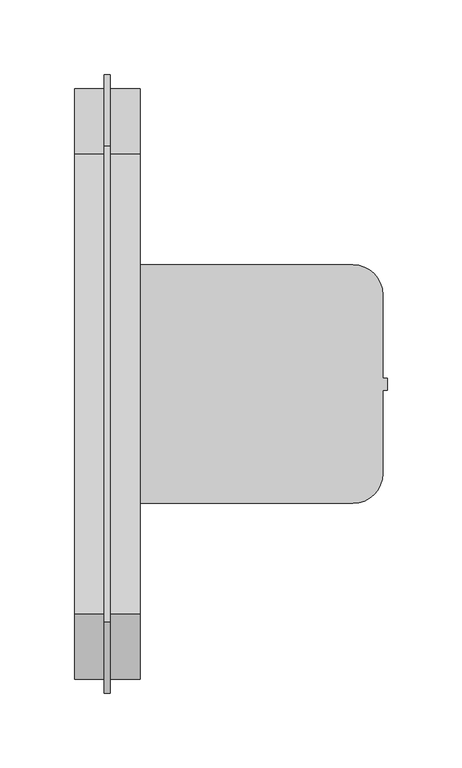
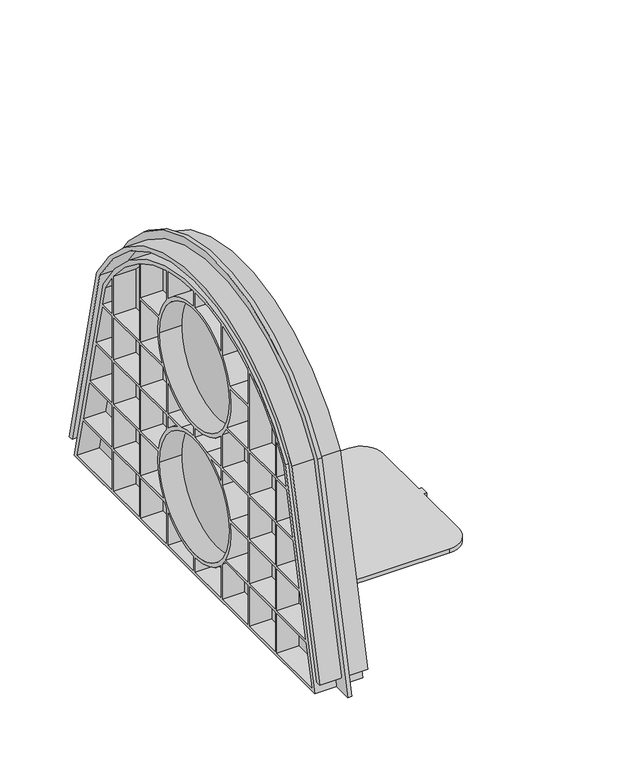
"""IFC4 building model written with IfcOpenShell, lengths in millimetres: proxy geometry."""

from ifc_helpers import new_model, si_unit, point, frame, frame_2d, origin, place, context, project, spatial, polyline, circle_curve, trimmed, segment, composite_curve, outline, extrude, source, transform, mapped, element, save


def specialty_equipment_24de1056(model_context):
    return source(origin(), model_context, "Body", "SweptSolid", [
        extrude(outline(composite_curve([segment(polyline([(-1133.5, -80.0), (-1133.5, 80.0), (-970.5, 80.0)]), True, "CONTINUOUS"), segment(trimmed(circle_curve(frame_2d((-970.5, 60.0)), 20.0), [point((-970.5, 80.0))], [point((-950.5, 60.0))], False, "CARTESIAN"), True, "CONTINUOUS"), segment(polyline([(-950.5, 60.0), (-950.5, 4.0), (-947.5, 4.0), (-947.5, -4.0), (-950.5, -4.0), (-950.5, -60.0)]), True, "CONTINUOUS"), segment(trimmed(circle_curve(frame_2d((-970.5, -60.0)), 20.0), [point((-950.5, -60.0))], [point((-970.5, -80.0))], False, "CARTESIAN"), True, "CONTINUOUS"), segment(polyline([(-970.5, -80.0), (-1133.5, -80.0)]), True, "CONTINUOUS")], self_intersect=False)), frame((0.0, 0.0, 3.85), z_axis=(0.0, 0.0, 1.0), x_axis=(1.0, 0.0, 0.0)), (0.0, 0.0, 1.0), 4.0),
        extrude(outline(composite_curve([segment(trimmed(circle_curve(frame_2d((0.0, 110.0)), 177.5), [point((-154.1500892, 198.0))], [point((154.1500892, 198.0))], False, "CARTESIAN"), True, "CONTINUOUS"), segment(polyline([(154.1500892, 198.0), (198.0, 13.0), (193.3766643, 13.0), (149.5267535, 198.0)]), True, "CONTINUOUS"), segment(trimmed(circle_curve(frame_2d((0.0, 110.0)), 173.5), [point((149.5267535, 198.0))], [point((-149.5267535, 198.0))], True, "CARTESIAN"), True, "CONTINUOUS"), segment(polyline([(-149.5267535, 198.0), (-193.3766643, 13.0), (-198.0, 13.0), (-154.1500892, 198.0)]), True, "CONTINUOUS")], self_intersect=False)), frame((-1157.5, 0.0, 0.0), z_axis=(1.0, 0.0, 0.0), x_axis=(0.0, 1.0, 0.0)), (0.0, 0.0, 1.0), 44.0),
        extrude(outline(composite_curve([segment(trimmed(circle_curve(frame_2d((0.0, 110.4167087)), 166.0), [point((-144.0, 193.0))], [point((144.0, 193.0))], False, "CARTESIAN"), True, "CONTINUOUS"), segment(polyline([(144.0, 193.0), (190.0, 0.0), (-190.0, 0.0), (-144.0, 193.0)]), True, "CONTINUOUS")], self_intersect=False), holes=[polyline([(145.3698207, 170.0), (130.5, 170.0), (130.5, 130.0), (154.9034995, 130.0), (145.3698207, 170.0)]), composite_curve([segment(polyline([(130.5, 206.4049892), (130.5, 173.0), (144.6547948, 173.0), (140.243697, 191.5074323)]), True, "CONTINUOUS"), segment(trimmed(circle_curve(frame_2d((0.0, 110.4167087)), 162.0), [point((140.243697, 191.5074323))], [point((130.5, 206.4049892))], True, "CARTESIAN"), True, "CONTINUOUS")], self_intersect=False), polyline([(130.5, 84.0), (130.5, 44.0), (175.4009088, 44.0), (165.8672301, 84.0), (130.5, 84.0)]), polyline([(130.5, 41.0), (130.5, 3.0), (185.1729296, 3.0), (176.1159347, 41.0), (130.5, 41.0)]), polyline([(155.6185254, 127.0), (130.5, 127.0), (130.5, 87.0), (165.1522042, 87.0), (155.6185254, 127.0)]), polyline([(87.5, 41.0), (87.5, 3.0), (127.5, 3.0), (127.5, 41.0), (87.5, 41.0)]), polyline([(127.5, 84.0), (87.5, 84.0), (87.5, 44.0), (127.5, 44.0), (127.5, 84.0)]), polyline([(127.5, 127.0), (87.5, 127.0), (87.5, 87.0), (127.5, 87.0), (127.5, 127.0)]), composite_curve([segment(polyline([(87.5, 246.7536076), (87.5, 173.0), (127.5, 173.0), (127.5, 210.3554399)]), True, "CONTINUOUS"), segment(trimmed(circle_curve(frame_2d((0.0, 110.4167087)), 162.0), [point((127.5, 210.3554399))], [point((87.5, 246.7536076))], True, "CARTESIAN"), True, "CONTINUOUS")], self_intersect=False), polyline([(127.5, 170.0), (87.5, 170.0), (87.5, 130.0), (127.5, 130.0), (127.5, 170.0)]), composite_curve([segment(trimmed(circle_curve(frame_2d((0.0, 200.0)), 58.5), [point((57.0372685, 213.0))], [point((51.8965317, 173.0))], False, "CARTESIAN"), True, "CONTINUOUS"), segment(polyline([(51.8965317, 173.0), (84.5, 173.0), (84.5, 213.0), (57.0372685, 213.0)]), True, "CONTINUOUS")], self_intersect=False), composite_curve([segment(trimmed(circle_curve(frame_2d((0.0, 75.0)), 58.5), [point((57.8035466, 84.0))], [point((49.6109867, 44.0))], False, "CARTESIAN"), True, "CONTINUOUS"), segment(polyline([(49.6109867, 44.0), (84.5, 44.0), (84.5, 84.0), (57.8035466, 84.0)]), True, "CONTINUOUS")], self_intersect=False), composite_curve([segment(polyline([(44.5, 266.1849661), (44.5, 237.9736751)]), True, "CONTINUOUS"), segment(trimmed(circle_curve(frame_2d((0.0, 200.0)), 58.5), [point((44.5, 237.9736751))], [point((56.2694411, 216.0))], False, "CARTESIAN"), True, "CONTINUOUS"), segment(polyline([(56.2694411, 216.0), (84.5, 216.0), (84.5, 248.6330247)]), True, "CONTINUOUS"), segment(trimmed(circle_curve(frame_2d((0.0, 110.4167087)), 162.0), [point((84.5, 248.6330247))], [point((44.5, 266.1849661))], True, "CARTESIAN"), True, "CONTINUOUS")], self_intersect=False), composite_curve([segment(polyline([(44.5, 37.0263249), (44.5, 3.0), (84.5, 3.0), (84.5, 41.0), (47.6051468, 41.0)]), True, "CONTINUOUS"), segment(trimmed(circle_curve(frame_2d((0.0, 75.0)), 58.5), [point((47.6051468, 41.0))], [point((44.5, 37.0263249))], False, "CARTESIAN"), True, "CONTINUOUS")], self_intersect=False), composite_curve([segment(polyline([(44.5, 127.0), (44.5, 112.9736751)]), True, "CONTINUOUS"), segment(trimmed(circle_curve(frame_2d((0.0, 75.0)), 58.5), [point((44.5, 112.9736751))], [point((57.2560041, 87.0))], False, "CARTESIAN"), True, "CONTINUOUS"), segment(polyline([(57.2560041, 87.0), (84.5, 87.0), (84.5, 127.0), (44.5, 127.0)]), True, "CONTINUOUS")], self_intersect=False), composite_curve([segment(polyline([(44.5, 162.0263249), (44.5, 130.0), (84.5, 130.0), (84.5, 170.0), (50.2220071, 170.0)]), True, "CONTINUOUS"), segment(trimmed(circle_curve(frame_2d((0.0, 200.0)), 58.5), [point((50.2220071, 170.0))], [point((44.5, 162.0263249))], False, "CARTESIAN"), True, "CONTINUOUS")], self_intersect=False), composite_curve([segment(polyline([(41.5, 127.0), (26.8001866, 127.0)]), True, "CONTINUOUS"), segment(trimmed(circle_curve(frame_2d((0.0, 75.0)), 58.5), [point((26.8001866, 127.0))], [point((41.5, 116.2310563))], False, "CARTESIAN"), True, "CONTINUOUS"), segment(polyline([(41.5, 116.2310563), (41.5, 127.0)]), True, "CONTINUOUS")], self_intersect=False), composite_curve([segment(polyline([(1.5, 272.4097641), (1.5, 258.4807661)]), True, "CONTINUOUS"), segment(trimmed(circle_curve(frame_2d((0.0, 200.0)), 58.5), [point((1.5, 258.4807661))], [point((41.5, 241.2310563))], False, "CARTESIAN"), True, "CONTINUOUS"), segment(polyline([(41.5, 241.2310563), (41.5, 267.0109296)]), True, "CONTINUOUS"), segment(trimmed(circle_curve(frame_2d((0.0, 110.4167087)), 162.0), [point((41.5, 267.0109296))], [point((1.5, 272.4097641))], True, "CARTESIAN"), True, "CONTINUOUS")], self_intersect=False), composite_curve([segment(polyline([(1.5, 141.5192339), (1.5, 133.4807661)]), True, "CONTINUOUS"), segment(trimmed(circle_curve(frame_2d((0.0, 75.0)), 58.5), [point((1.5, 133.4807661))], [point((19.9311314, 130.0))], False, "CARTESIAN"), True, "CONTINUOUS"), segment(polyline([(19.9311314, 130.0), (41.5, 130.0), (41.5, 158.7689437)]), True, "CONTINUOUS"), segment(trimmed(circle_curve(frame_2d((0.0, 200.0)), 58.5), [point((41.5, 158.7689437))], [point((1.5, 141.5192339))], False, "CARTESIAN"), True, "CONTINUOUS")], self_intersect=False), composite_curve([segment(polyline([(1.5, 16.5192339), (1.5, 3.0), (41.5, 3.0), (41.5, 33.7689437)]), True, "CONTINUOUS"), segment(trimmed(circle_curve(frame_2d((0.0, 75.0)), 58.5), [point((41.5, 33.7689437))], [point((1.5, 16.5192339))], False, "CARTESIAN"), True, "CONTINUOUS")], self_intersect=False), composite_curve([segment(polyline([(-41.5, 267.0109296), (-41.5, 241.2310563)]), True, "CONTINUOUS"), segment(trimmed(circle_curve(frame_2d((0.0, 200.0)), 58.5), [point((-41.5, 241.2310563))], [point((-1.5, 258.4807661))], False, "CARTESIAN"), True, "CONTINUOUS"), segment(polyline([(-1.5, 258.4807661), (-1.5, 272.4097641)]), True, "CONTINUOUS"), segment(trimmed(circle_curve(frame_2d((0.0, 110.4167087)), 162.0), [point((-1.5, 272.4097641))], [point((-41.5, 267.0109296))], True, "CARTESIAN"), True, "CONTINUOUS")], self_intersect=False), composite_curve([segment(polyline([(-41.5, 33.7689437), (-41.5, 3.0), (-1.5, 3.0), (-1.5, 16.5192339)]), True, "CONTINUOUS"), segment(trimmed(circle_curve(frame_2d((0.0, 75.0)), 58.5), [point((-1.5, 16.5192339))], [point((-41.5, 33.7689437))], False, "CARTESIAN"), True, "CONTINUOUS")], self_intersect=False), composite_curve([segment(trimmed(circle_curve(frame_2d((0.0, 200.0)), 58.5), [point((-1.5, 141.5192339))], [point((-41.5, 158.7689437))], False, "CARTESIAN"), True, "CONTINUOUS"), segment(polyline([(-41.5, 158.7689437), (-41.5, 130.0), (-19.9311314, 130.0)]), True, "CONTINUOUS"), segment(trimmed(circle_curve(frame_2d((0.0, 75.0)), 58.5), [point((-19.9311314, 130.0))], [point((-1.5, 133.4807661))], False, "CARTESIAN"), True, "CONTINUOUS"), segment(polyline([(-1.5, 133.4807661), (-1.5, 141.5192339)]), True, "CONTINUOUS")], self_intersect=False), composite_curve([segment(polyline([(-26.8001866, 127.0), (-41.5, 127.0), (-41.5, 116.2310563)]), True, "CONTINUOUS"), segment(trimmed(circle_curve(frame_2d((0.0, 75.0)), 58.5), [point((-41.5, 116.2310563))], [point((-26.8001866, 127.0))], False, "CARTESIAN"), True, "CONTINUOUS")], self_intersect=False), composite_curve([segment(trimmed(circle_curve(frame_2d((0.0, 75.0)), 55.0), [point((-55.0, 75.0))], [point((55.0, 75.0))], True, "CARTESIAN"), True, "CONTINUOUS"), segment(trimmed(circle_curve(frame_2d((0.0, 75.0)), 55.0), [point((55.0, 75.0))], [point((-55.0, 75.0))], True, "CARTESIAN"), True, "CONTINUOUS")], self_intersect=False), composite_curve([segment(trimmed(circle_curve(frame_2d((0.0, 200.0)), 55.0), [point((-55.0, 200.0))], [point((55.0, 200.0))], True, "CARTESIAN"), True, "CONTINUOUS"), segment(trimmed(circle_curve(frame_2d((0.0, 200.0)), 55.0), [point((55.0, 200.0))], [point((-55.0, 200.0))], True, "CARTESIAN"), True, "CONTINUOUS")], self_intersect=False), composite_curve([segment(polyline([(-84.5, 41.0), (-84.5, 3.0), (-44.5, 3.0), (-44.5, 37.0263249)]), True, "CONTINUOUS"), segment(trimmed(circle_curve(frame_2d((0.0, 75.0)), 58.5), [point((-44.5, 37.0263249))], [point((-47.6051468, 41.0))], False, "CARTESIAN"), True, "CONTINUOUS"), segment(polyline([(-47.6051468, 41.0), (-84.5, 41.0)]), True, "CONTINUOUS")], self_intersect=False), composite_curve([segment(polyline([(-57.8035466, 84.0), (-84.5, 84.0), (-84.5, 44.0), (-49.6109867, 44.0)]), True, "CONTINUOUS"), segment(trimmed(circle_curve(frame_2d((0.0, 75.0)), 58.5), [point((-49.6109867, 44.0))], [point((-57.8035466, 84.0))], False, "CARTESIAN"), True, "CONTINUOUS")], self_intersect=False), composite_curve([segment(polyline([(-44.5, 127.0), (-84.5, 127.0), (-84.5, 87.0), (-57.2560041, 87.0)]), True, "CONTINUOUS"), segment(trimmed(circle_curve(frame_2d((0.0, 75.0)), 58.5), [point((-57.2560041, 87.0))], [point((-44.5, 112.9736751))], False, "CARTESIAN"), True, "CONTINUOUS"), segment(polyline([(-44.5, 112.9736751), (-44.5, 127.0)]), True, "CONTINUOUS")], self_intersect=False), composite_curve([segment(polyline([(-50.2220071, 170.0), (-84.5, 170.0), (-84.5, 130.0), (-44.5, 130.0), (-44.5, 162.0263249)]), True, "CONTINUOUS"), segment(trimmed(circle_curve(frame_2d((0.0, 200.0)), 58.5), [point((-44.5, 162.0263249))], [point((-50.2220071, 170.0))], False, "CARTESIAN"), True, "CONTINUOUS")], self_intersect=False), composite_curve([segment(polyline([(-57.0372685, 213.0), (-84.5, 213.0), (-84.5, 173.0), (-51.8965317, 173.0)]), True, "CONTINUOUS"), segment(trimmed(circle_curve(frame_2d((0.0, 200.0)), 58.5), [point((-51.8965317, 173.0))], [point((-57.0372685, 213.0))], False, "CARTESIAN"), True, "CONTINUOUS")], self_intersect=False), composite_curve([segment(polyline([(-84.5, 248.6330247), (-84.5, 216.0), (-56.2694411, 216.0)]), True, "CONTINUOUS"), segment(trimmed(circle_curve(frame_2d((0.0, 200.0)), 58.5), [point((-56.2694411, 216.0))], [point((-44.5, 237.9736751))], False, "CARTESIAN"), True, "CONTINUOUS"), segment(polyline([(-44.5, 237.9736751), (-44.5, 266.1849661)]), True, "CONTINUOUS"), segment(trimmed(circle_curve(frame_2d((0.0, 110.4167087)), 162.0), [point((-44.5, 266.1849661))], [point((-84.5, 248.6330247))], True, "CARTESIAN"), True, "CONTINUOUS")], self_intersect=False), composite_curve([segment(polyline([(-127.5, 210.3554399), (-127.5, 173.0), (-87.5, 173.0), (-87.5, 246.7536076)]), True, "CONTINUOUS"), segment(trimmed(circle_curve(frame_2d((0.0, 110.4167087)), 162.0), [point((-87.5, 246.7536076))], [point((-127.5, 210.3554399))], True, "CARTESIAN"), True, "CONTINUOUS")], self_intersect=False), polyline([(-87.5, 41.0), (-127.5, 41.0), (-127.5, 3.0), (-87.5, 3.0), (-87.5, 41.0)]), polyline([(-87.5, 84.0), (-127.5, 84.0), (-127.5, 44.0), (-87.5, 44.0), (-87.5, 84.0)]), polyline([(-87.5, 127.0), (-127.5, 127.0), (-127.5, 87.0), (-87.5, 87.0), (-87.5, 127.0)]), polyline([(-87.5, 170.0), (-127.5, 170.0), (-127.5, 130.0), (-87.5, 130.0), (-87.5, 170.0)]), composite_curve([segment(polyline([(-140.243697, 191.5074323), (-144.6547948, 173.0), (-130.5, 173.0), (-130.5, 206.4049892)]), True, "CONTINUOUS"), segment(trimmed(circle_curve(frame_2d((0.0, 110.4167087)), 162.0), [point((-130.5, 206.4049892))], [point((-140.243697, 191.5074323))], True, "CARTESIAN"), True, "CONTINUOUS")], self_intersect=False), polyline([(-145.3698207, 170.0), (-154.9034995, 130.0), (-130.5, 130.0), (-130.5, 170.0), (-145.3698207, 170.0)]), polyline([(-155.6185254, 127.0), (-165.1522042, 87.0), (-130.5, 87.0), (-130.5, 127.0), (-155.6185254, 127.0)]), polyline([(-165.8672301, 84.0), (-175.4009088, 44.0), (-130.5, 44.0), (-130.5, 84.0), (-165.8672301, 84.0)]), polyline([(-176.1159347, 41.0), (-185.1729296, 3.0), (-130.5, 3.0), (-130.5, 41.0), (-176.1159347, 41.0)])]), frame((-1157.5, 0.0, 0.0), z_axis=(1.0, 0.0, 0.0), x_axis=(0.0, 1.0, 0.0)), (0.0, 0.0, 1.0), 44.0),
        extrude(outline(composite_curve([segment(trimmed(circle_curve(frame_2d((0.0, 112.6795393)), 182.32047), [point((-159.5, 201.0))], [point((159.5, 201.0))], False, "CARTESIAN"), True, "CONTINUOUS"), segment(polyline([(159.5, 201.0), (207.5, 0.0), (-207.5, 0.0), (-159.5, 201.0)]), True, "CONTINUOUS")], self_intersect=False)), frame((-1137.5, 0.0, 0.0), z_axis=(1.0, 0.0, 0.0), x_axis=(0.0, 1.0, 0.0)), (0.0, 0.0, 1.0), 4.0),
    ])


if __name__ == "__main__":
    model = new_model("IFC4")
    model_context = context("Model", 3, world=origin())
    ifc_project = project(units=[si_unit("LENGTHUNIT", "METRE", prefix="MILLI")], contexts=[model_context])
    site = spatial("IfcSite", under=ifc_project)
    building = spatial("IfcBuilding", under=site)
    placement = place(None, origin())
    specialty_equipment_shape = specialty_equipment_24de1056(model_context)
    element("IfcBuildingElementProxy", 1, Name="Specialty Equipment", at=placement, inside=building, context=model_context, shape_type="MappedRepresentation", body=[
        mapped(specialty_equipment_shape, transform((0.0, 0.0, 0.0), x_axis=(1.0, 0.0, 0.0), y_axis=(0.0, 1.0, 0.0), z_axis=(0.0, 0.0, 1.0))),
    ])
    save(model, "model.ifc")
